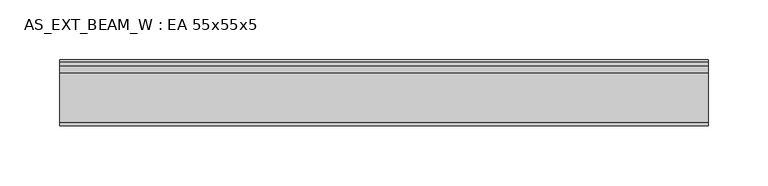
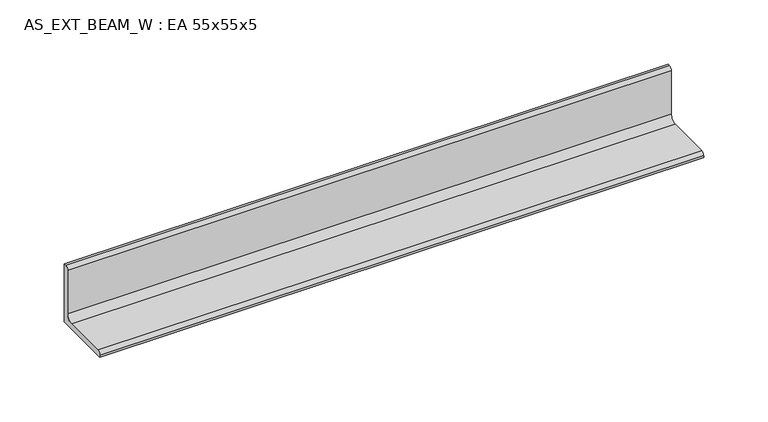
"""IFC4 building model written with IfcOpenShell, lengths in millimetres: beam geometry, AS_EXT_BEAM_W : EA 55x55x5."""

from ifc_helpers import new_model, si_unit, point, frame, frame_2d, origin, place, context, project, spatial, polyline, circle_curve, trimmed, segment, composite_curve, outline, extrude, source, transform, mapped, element, save


def as_ext_beam_w_ea_55x55x5_38c2dac5(model_context):
    return source(origin(), model_context, "Body", "SweptSolid", [
        extrude(outline(composite_curve([segment(polyline([(15.2, -15.2), (-39.8, -15.2), (-39.8, -13.2)]), True, "CONTINUOUS"), segment(trimmed(circle_curve(frame_2d((-36.8, -13.2)), 3.0), [point((-39.8, -13.2))], [point((-36.8, -10.2))], False, "CARTESIAN"), True, "CONTINUOUS"), segment(polyline([(-36.8, -10.2), (4.2, -10.2)]), True, "CONTINUOUS"), segment(trimmed(circle_curve(frame_2d((4.2, -4.2)), 6.0), [point((4.2, -10.2))], [point((10.2, -4.2))], True, "CARTESIAN"), True, "CONTINUOUS"), segment(polyline([(10.2, -4.2), (10.2, 36.8)]), True, "CONTINUOUS"), segment(trimmed(circle_curve(frame_2d((13.2, 36.8)), 3.0), [point((10.2, 36.8))], [point((13.2, 39.8))], False, "CARTESIAN"), True, "CONTINUOUS"), segment(polyline([(13.2, 39.8), (15.2, 39.8), (15.2, -15.2)]), True, "CONTINUOUS")], self_intersect=False)), frame((-270.3, 0.0, 0.0), z_axis=(1.0, 0.0, 0.0), x_axis=(0.0, 1.0, 0.0)), (0.0, 0.0, 1.0), 540.6),
    ])


if __name__ == "__main__":
    model = new_model("IFC4")
    model_context = context("Model", 3, world=origin())
    ifc_project = project(units=[si_unit("LENGTHUNIT", "METRE", prefix="MILLI")], contexts=[model_context])
    site = spatial("IfcSite", under=ifc_project)
    building = spatial("IfcBuilding", under=site)
    placement = place(None, origin())
    as_ext_beam_w_ea_55x55x5_shape = as_ext_beam_w_ea_55x55x5_38c2dac5(model_context)
    element("IfcBeam", 1, ObjectType="AS_EXT_BEAM_W : EA 55x55x5", at=placement, inside=building, context=model_context, shape_type="MappedRepresentation", body=[
        mapped(as_ext_beam_w_ea_55x55x5_shape, transform((0.0, 0.0, 0.0), x_axis=(1.0, 0.0, 0.0), y_axis=(0.0, 1.0, 0.0), z_axis=(0.0, 0.0, 1.0))),
    ])
    save(model, "model.ifc")
